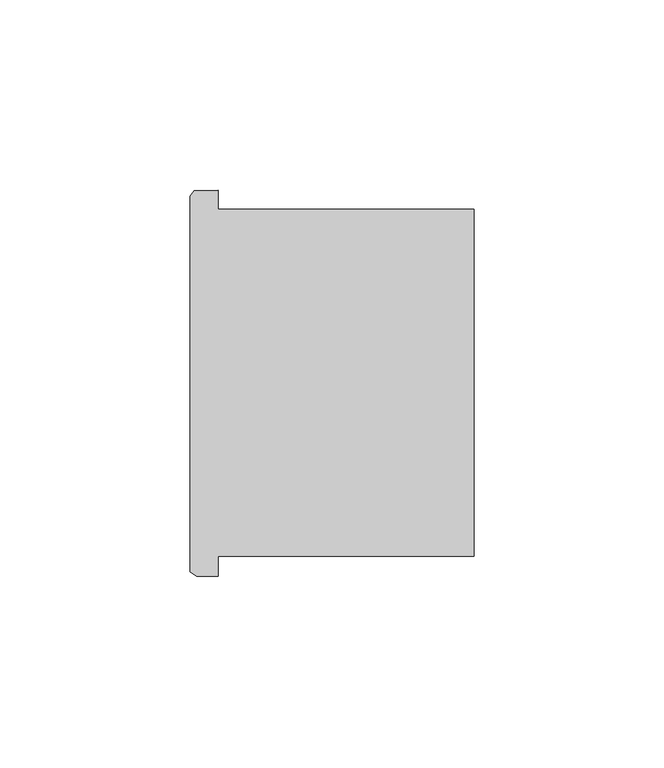
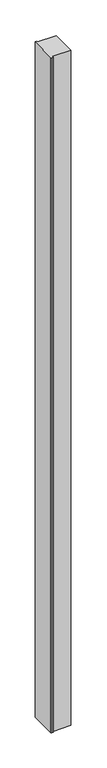
"""IFC4 building model written with IfcOpenShell, lengths in millimetres: column geometry."""

from ifc_helpers import new_model, si_unit, frame, origin, place, context, project, spatial, polyline, outline, extrude, source, transform, mapped, element, save


def column_e8156a37(model_context):
    return source(origin(), model_context, "Body", "SweptSolid", [
        extrude(outline(polyline([(78009.3469274, -53614.6623158), (78009.3469274, -53619.7534664), (78076.642043, -53619.7534664), (78076.642043, -53710.9602944), (78009.3469274, -53710.9602944), (78009.3469274, -53716.2623158), (78003.654254, -53716.2623158), (78001.886922, -53715.0220592), (78001.886922, -53616.3056196), (78002.9721116, -53614.817332), (78009.3469274, -53614.6623158)])), frame((0.0, 0.0, 4419.602032), z_axis=(0.0, 0.0, 1.0), x_axis=(1.0, 0.0, 0.0)), (0.0, 0.0, 1.0), 2590.8000809),
        extrude(outline(polyline([(78009.3469274, -53614.6623158), (78009.3469274, -53619.7534664), (78076.642043, -53619.7534664), (78076.642043, -53710.9602944), (78009.3469274, -53710.9602944), (78009.3469274, -53716.2623158), (78003.654254, -53716.2623158), (78001.886922, -53715.0220592), (78001.886922, -53616.3056196), (78002.9721116, -53614.817332), (78009.3469274, -53614.6623158)])), frame((0.0, 0.0, 4419.602032), z_axis=(0.0, 0.0, 1.0), x_axis=(1.0, 0.0, 0.0)), (0.0, 0.0, 1.0), 2590.8000809),
    ])


if __name__ == "__main__":
    model = new_model("IFC4")
    model_context = context("Model", 3, world=origin())
    ifc_project = project(units=[si_unit("LENGTHUNIT", "METRE", prefix="MILLI")], contexts=[model_context])
    site = spatial("IfcSite", under=ifc_project)
    building = spatial("IfcBuilding", under=site)
    placement = place(None, origin())
    column_shape = column_e8156a37(model_context)
    element("IfcColumn", 1, at=placement, inside=building, context=model_context, shape_type="MappedRepresentation", body=[
        mapped(column_shape, transform((0.0, 0.0, 0.0), x_axis=(1.0, 0.0, 0.0), y_axis=(0.0, 1.0, 0.0), z_axis=(0.0, 0.0, 1.0))),
    ])
    save(model, "model.ifc")
